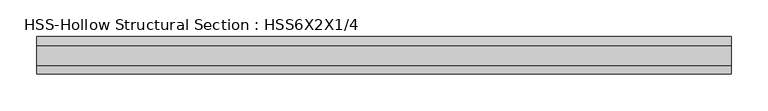
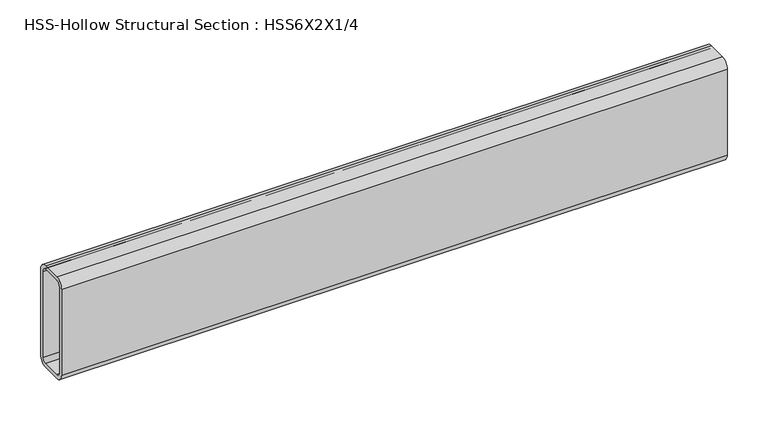
"""IFC4 building model written with IfcOpenShell, lengths in millimetres: beam geometry, HSS-Hollow Structural Section : HSS6X2X1/4."""

from ifc_helpers import new_model, si_unit, point, frame, frame_2d, origin, place, context, project, spatial, polyline, circle_curve, trimmed, segment, composite_curve, outline, extrude, source, transform, mapped, element, save


def hss_hollow_structural_section_hss6x2x1_4_ca089b92(model_context):
    return source(origin(), model_context, "Body", "SweptSolid", [
        extrude(outline(composite_curve([segment(polyline([(25.4, 64.3636), (25.4, -64.3636)]), True, "CONTINUOUS"), segment(trimmed(circle_curve(frame_2d((13.5636, -64.3636)), 11.8364), [point((25.4, -64.3636))], [point((13.5636, -76.2))], False, "CARTESIAN"), True, "CONTINUOUS"), segment(polyline([(13.5636, -76.2), (-13.5636, -76.2)]), True, "CONTINUOUS"), segment(trimmed(circle_curve(frame_2d((-13.5636, -64.3636)), 11.8364), [point((-13.5636, -76.2))], [point((-25.4, -64.3636))], False, "CARTESIAN"), True, "CONTINUOUS"), segment(polyline([(-25.4, -64.3636), (-25.4, 64.3636)]), True, "CONTINUOUS"), segment(trimmed(circle_curve(frame_2d((-13.5636, 64.3636)), 11.8364), [point((-25.4, 64.3636))], [point((-13.5636, 76.2))], False, "CARTESIAN"), True, "CONTINUOUS"), segment(polyline([(-13.5636, 76.2), (13.5636, 76.2)]), True, "CONTINUOUS"), segment(trimmed(circle_curve(frame_2d((13.5636, 64.3636)), 11.8364), [point((13.5636, 76.2))], [point((25.4, 64.3636))], False, "CARTESIAN"), True, "CONTINUOUS")], self_intersect=False), holes=[composite_curve([segment(trimmed(circle_curve(frame_2d((-13.5636, 64.3636)), 5.9182), [point((-13.5636, 70.2818))], [point((-19.4818, 64.3636))], True, "CARTESIAN"), True, "CONTINUOUS"), segment(polyline([(-19.4818, 64.3636), (-19.4818, -64.3636)]), True, "CONTINUOUS"), segment(trimmed(circle_curve(frame_2d((-13.5636, -64.3636)), 5.9182), [point((-19.4818, -64.3636))], [point((-13.5636, -70.2818))], True, "CARTESIAN"), True, "CONTINUOUS"), segment(polyline([(-13.5636, -70.2818), (13.5636, -70.2818)]), True, "CONTINUOUS"), segment(trimmed(circle_curve(frame_2d((13.5636, -64.3636)), 5.9182), [point((13.5636, -70.2818))], [point((19.4818, -64.3636))], True, "CARTESIAN"), True, "CONTINUOUS"), segment(polyline([(19.4818, -64.3636), (19.4818, 64.3636)]), True, "CONTINUOUS"), segment(trimmed(circle_curve(frame_2d((13.5636, 64.3636)), 5.9182), [point((19.4818, 64.3636))], [point((13.5636, 70.2818))], True, "CARTESIAN"), True, "CONTINUOUS"), segment(polyline([(13.5636, 70.2818), (-13.5636, 70.2818)]), True, "CONTINUOUS")], self_intersect=False)]), frame((-471.206387, 0.0, 0.0), z_axis=(1.0, 0.0, 0.0), x_axis=(0.0, 1.0, 0.0)), (0.0, 0.0, 1.0), 942.0681357),
    ])


if __name__ == "__main__":
    model = new_model("IFC4")
    model_context = context("Model", 3, world=origin())
    ifc_project = project(units=[si_unit("LENGTHUNIT", "METRE", prefix="MILLI")], contexts=[model_context])
    site = spatial("IfcSite", under=ifc_project)
    building = spatial("IfcBuilding", under=site)
    placement = place(None, origin())
    hss_hollow_structural_section_hss6x2x1_4_shape = hss_hollow_structural_section_hss6x2x1_4_ca089b92(model_context)
    element("IfcBeam", 1, ObjectType="HSS-Hollow Structural Section : HSS6X2X1/4", at=placement, inside=building, context=model_context, shape_type="MappedRepresentation", body=[
        mapped(hss_hollow_structural_section_hss6x2x1_4_shape, transform((0.0, 0.0, 0.0), x_axis=(1.0, 0.0, 0.0), y_axis=(0.0, 1.0, 0.0), z_axis=(0.0, 0.0, 1.0))),
    ])
    save(model, "model.ifc")
